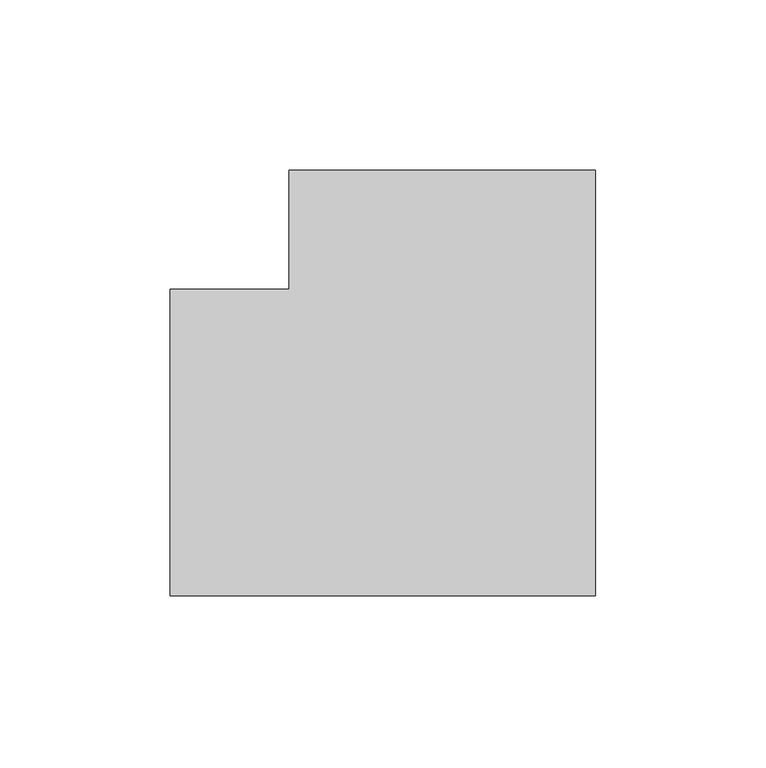
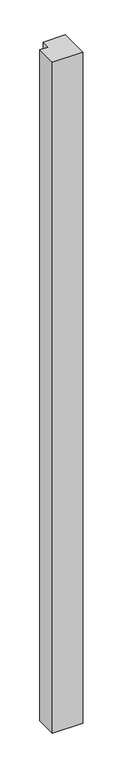
"""IFC4 building model written with IfcOpenShell, lengths in millimetres: member geometry."""

from ifc_helpers import new_model, si_unit, frame, origin, place, context, project, spatial, polyline, outline, extrude, source, transform, mapped, element, save


def member_89abac2f(model_context):
    return source(origin(), model_context, "Body", "SweptSolid", [
        extrude(outline(polyline([(45.0, 80.0), (45.0, -45.0), (-80.0, -45.0), (-80.0, 45.0), (-45.0, 45.0), (-45.0, 80.0), (45.0, 80.0)])), frame((0.0, 0.0, -2910.0), z_axis=(0.0, 0.0, 1.0), x_axis=(1.0, 0.0, 0.0)), (0.0, 0.0, 1.0), 2910.0),
    ])


if __name__ == "__main__":
    model = new_model("IFC4")
    model_context = context("Model", 3, world=origin())
    ifc_project = project(units=[si_unit("LENGTHUNIT", "METRE", prefix="MILLI")], contexts=[model_context])
    site = spatial("IfcSite", under=ifc_project)
    building = spatial("IfcBuilding", under=site)
    placement = place(None, origin())
    member_shape = member_89abac2f(model_context)
    element("IfcMember", 1, at=placement, inside=building, context=model_context, shape_type="MappedRepresentation", body=[
        mapped(member_shape, transform((0.0, 0.0, 0.0), x_axis=(1.0, 0.0, 0.0), y_axis=(0.0, 1.0, 0.0), z_axis=(0.0, 0.0, 1.0))),
    ])
    save(model, "model.ifc")
